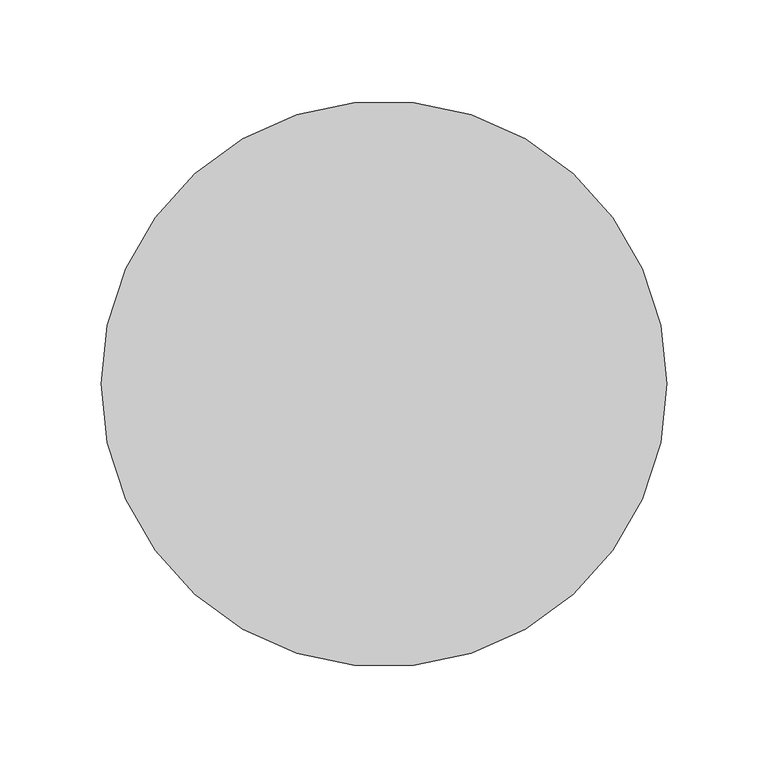
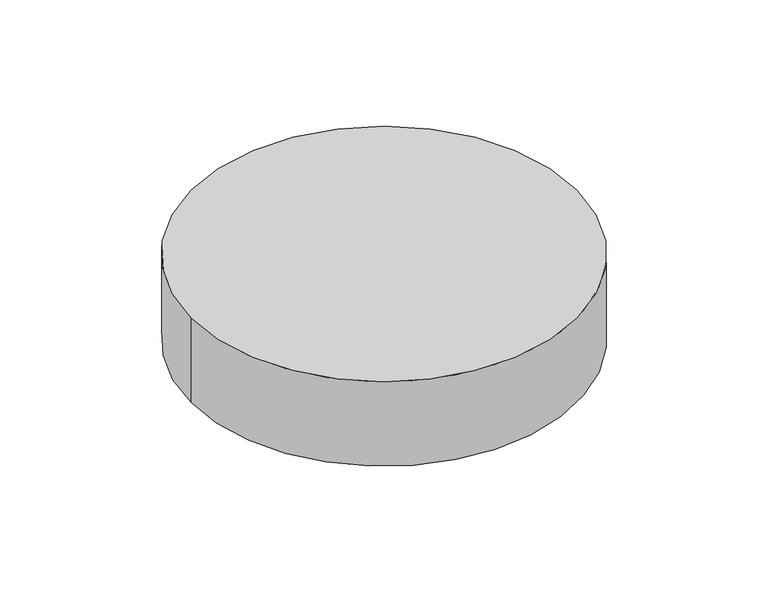
"""IFC4 building model written with IfcOpenShell, lengths in millimetres: proxy geometry."""

from ifc_helpers import new_model, si_unit, point, origin, origin_with_axes, origin_2d, place, context, project, spatial, circle_curve, trimmed, segment, composite_curve, outline, extrude, source, transform, mapped, element, save


def generic_models_0680bb7f(model_context):
    return source(origin(), model_context, "Body", "SweptSolid", [
        extrude(outline(composite_curve([segment(trimmed(circle_curve(origin_2d(), 140.0), [point((-140.0, 0.0))], [point((140.0, 0.0))], False, "CARTESIAN"), True, "CONTINUOUS"), segment(trimmed(circle_curve(origin_2d(), 140.0), [point((140.0, 0.0))], [point((-140.0, 0.0))], False, "CARTESIAN"), True, "CONTINUOUS")], self_intersect=False)), origin_with_axes(), (0.0, 0.0, 1.0), 65.0),
    ])


if __name__ == "__main__":
    model = new_model("IFC4")
    model_context = context("Model", 3, world=origin())
    ifc_project = project(units=[si_unit("LENGTHUNIT", "METRE", prefix="MILLI")], contexts=[model_context])
    site = spatial("IfcSite", under=ifc_project)
    building = spatial("IfcBuilding", under=site)
    placement = place(None, origin())
    generic_models_shape = generic_models_0680bb7f(model_context)
    element("IfcBuildingElementProxy", 1, Name="Generic Models", at=placement, inside=building, context=model_context, shape_type="MappedRepresentation", body=[
        mapped(generic_models_shape, transform((0.0, 0.0, 0.0), x_axis=(1.0, 0.0, 0.0), y_axis=(0.0, 1.0, 0.0), z_axis=(0.0, 0.0, 1.0))),
    ])
    save(model, "model.ifc")
